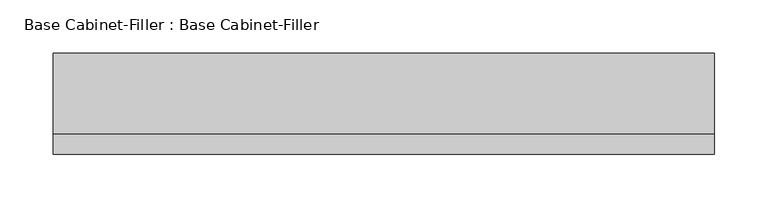
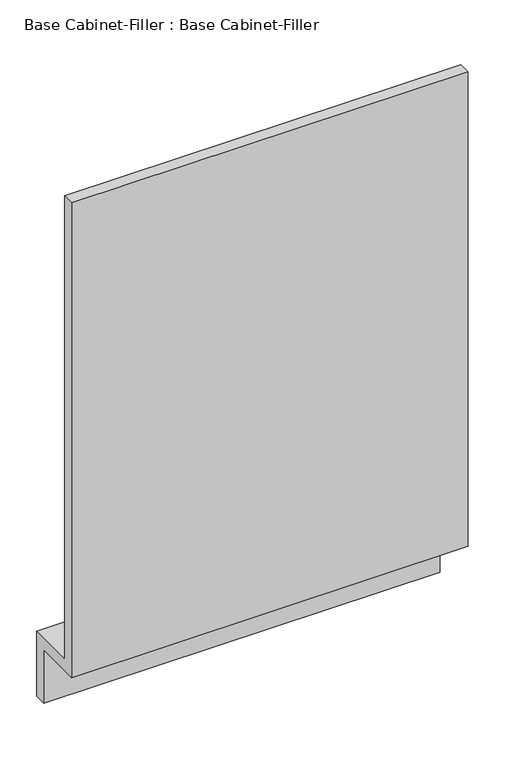
"""IFC4 building model written with IfcOpenShell, lengths in millimetres: furniture geometry, Base Cabinet-Filler : Base Cabinet-Filler."""

from ifc_helpers import new_model, si_unit, frame, origin, place, context, project, spatial, polyline, outline, extrude, source, transform, mapped, element, save


def base_cabinet_filler_base_cabinet_filler_02493c91(model_context):
    return source(origin(), model_context, "Body", "SweptSolid", [
        extrude(outline(polyline([(-609.6, 88.9), (-609.6, 876.3), (-590.55, 876.3), (-590.55, 107.95), (-514.35, 107.95), (-514.35, 0.0), (-533.4, 0.0), (-533.4, 88.9), (-609.6, 88.9)])), frame((-292.4122951, 0.0, 0.0), z_axis=(1.0, 0.0, 0.0), x_axis=(0.0, 1.0, 0.0)), (0.0, 0.0, 1.0), 622.3),
    ])


if __name__ == "__main__":
    model = new_model("IFC4")
    model_context = context("Model", 3, world=origin())
    ifc_project = project(units=[si_unit("LENGTHUNIT", "METRE", prefix="MILLI")], contexts=[model_context])
    site = spatial("IfcSite", under=ifc_project)
    building = spatial("IfcBuilding", under=site)
    placement = place(None, origin())
    base_cabinet_filler_base_cabinet_filler_shape = base_cabinet_filler_base_cabinet_filler_02493c91(model_context)
    element("IfcFurniture", 1, ObjectType="Base Cabinet-Filler : Base Cabinet-Filler", at=placement, inside=building, context=model_context, shape_type="MappedRepresentation", body=[
        mapped(base_cabinet_filler_base_cabinet_filler_shape, transform((0.0, 0.0, 0.0), x_axis=(1.0, 0.0, 0.0), y_axis=(0.0, 1.0, 0.0), z_axis=(0.0, 0.0, 1.0))),
    ])
    save(model, "model.ifc")
